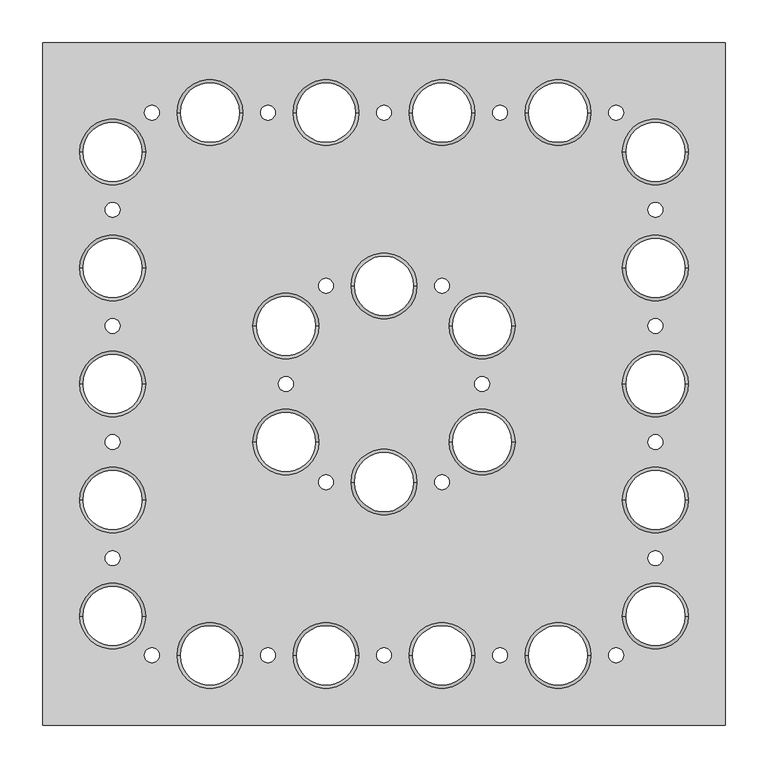
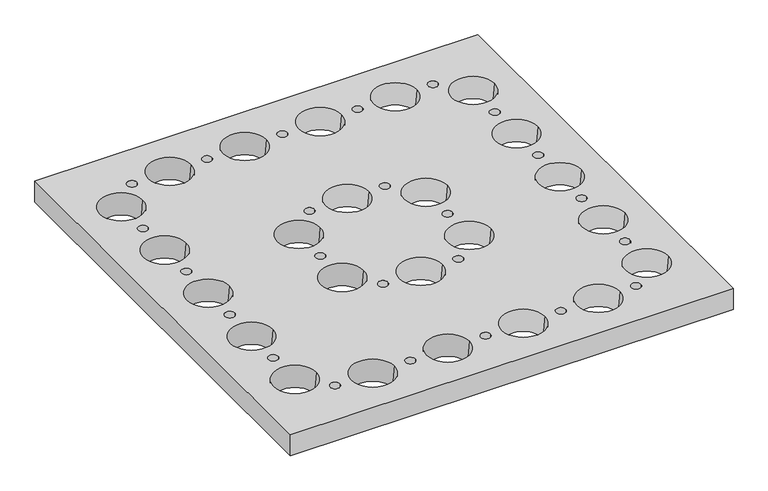
"""IFC4 building model written with IfcOpenShell, lengths in millimetres: proxy geometry."""

from ifc_helpers import new_model, si_unit, frame, origin, place, context, project, spatial, polyline, circle_curve, source, transform, mapped, element, save
from ifc_brep_helpers import plane_surface, revolved_surface, advanced_brep


def specialty_equipment_5c508516(model_context):
    return source(origin(), model_context, "Body", "AdvancedBrep", [
        advanced_brep(
        [(-1557.5, -400.0, 350.0), (-757.5, -400.0, 350.0), (-757.5, 400.0, 350.0), (-1557.5, 400.0, 350.0), (-848.194, 204.0, 350.0), (-830.806, 204.0, 350.0), (-848.194, 68.0, 350.0), (-830.806, 68.0, 350.0), (-848.194, -68.0, 350.0), (-830.806, -68.0, 350.0), (-848.194, -204.0, 350.0), (-830.806, -204.0, 350.0), (-894.194, 318.0, 350.0), (-876.806, 318.0, 350.0), (-894.194, -318.0, 350.0), (-876.806, -318.0, 350.0), (-1030.194, 318.0, 350.0), (-1012.806, 318.0, 350.0), (-1030.194, -318.0, 350.0), (-1012.806, -318.0, 350.0), (-1051.194, 0.0, 350.0), (-1033.806, 0.0, 350.0), (-1098.194, -115.0, 350.0), (-1080.806, -115.0, 350.0), (-1098.194, 115.0, 350.0), (-1080.806, 115.0, 350.0), (-1166.194, 318.0, 350.0), (-1148.806, 318.0, 350.0), (-1166.194, -318.0, 350.0), (-1148.806, -318.0, 350.0), (-1234.194, -115.0, 350.0), (-1216.806, -115.0, 350.0), (-1234.194, 115.0, 350.0), (-1216.806, 115.0, 350.0), (-1281.194, 0.0, 350.0), (-1263.806, 0.0, 350.0), (-1302.194, 318.0, 350.0), (-1284.806, 318.0, 350.0), (-1302.194, -318.0, 350.0), (-1284.806, -318.0, 350.0), (-1438.194, 318.0, 350.0), (-1420.806, 318.0, 350.0), (-1438.194, -318.0, 350.0), (-1420.806, -318.0, 350.0), (-1484.194, -204.0, 350.0), (-1466.806, -204.0, 350.0), (-1484.194, -68.0, 350.0), (-1466.806, -68.0, 350.0), (-1484.194, 68.0, 350.0), (-1466.806, 68.0, 350.0), (-1484.194, 204.0, 350.0), (-1466.806, 204.0, 350.0), (-878.0252565, -272.0, 350.0), (-800.9747435, -272.0, 350.0), (-878.0252565, -136.0, 350.0), (-800.9747435, -136.0, 350.0), (-878.0252565, 0.0, 350.0), (-800.9747435, 0.0, 350.0), (-878.0252565, 136.0, 350.0), (-800.9747435, 136.0, 350.0), (-878.0252565, 272.0, 350.0), (-800.9747435, 272.0, 350.0), (-992.0252565, 318.0, 350.0), (-914.9747435, 318.0, 350.0), (-1128.0252565, 318.0, 350.0), (-1050.9747435, 318.0, 350.0), (-1128.0252565, -318.0, 350.0), (-1050.9747435, -318.0, 350.0), (-1081.0252565, -68.0, 350.0), (-1003.9747435, -68.0, 350.0), (-1081.0252565, 68.0, 350.0), (-1003.9747435, 68.0, 350.0), (-992.0252565, -318.0, 350.0), (-914.9747435, -318.0, 350.0), (-1196.0252565, -115.0, 350.0), (-1118.9747435, -115.0, 350.0), (-1196.0252565, 115.0, 350.0), (-1118.9747435, 115.0, 350.0), (-1514.0252565, -272.0, 350.0), (-1436.9747435, -272.0, 350.0), (-1514.0252565, -136.0, 350.0), (-1436.9747435, -136.0, 350.0), (-1514.0252565, 0.0, 350.0), (-1436.9747435, 0.0, 350.0), (-1514.0252565, 136.0, 350.0), (-1436.9747435, 136.0, 350.0), (-1514.0252565, 272.0, 350.0), (-1436.9747435, 272.0, 350.0), (-1400.0252565, 318.0, 350.0), (-1322.9747435, 318.0, 350.0), (-1264.0252565, 318.0, 350.0), (-1186.9747435, 318.0, 350.0), (-1264.0252565, -318.0, 350.0), (-1186.9747435, -318.0, 350.0), (-1400.0252565, -318.0, 350.0), (-1322.9747435, -318.0, 350.0), (-1311.0252565, -68.0, 350.0), (-1233.9747435, -68.0, 350.0), (-1311.0252565, 68.0, 350.0), (-1233.9747435, 68.0, 350.0), (-1557.5, -400.0, 310.0), (-1557.5, 400.0, 310.0), (-757.5, 400.0, 310.0), (-757.5, -400.0, 310.0), (-848.194, 204.0, 310.0), (-830.806, 204.0, 310.0), (-848.194, 68.0, 310.0), (-830.806, 68.0, 310.0), (-848.194, -68.0, 310.0), (-830.806, -68.0, 310.0), (-848.194, -204.0, 310.0), (-830.806, -204.0, 310.0), (-894.194, 318.0, 310.0), (-876.806, 318.0, 310.0), (-894.194, -318.0, 310.0), (-876.806, -318.0, 310.0), (-1030.194, 318.0, 310.0), (-1012.806, 318.0, 310.0), (-1030.194, -318.0, 310.0), (-1012.806, -318.0, 310.0), (-1051.194, 0.0, 310.0), (-1033.806, 0.0, 310.0), (-1098.194, -115.0, 310.0), (-1080.806, -115.0, 310.0), (-1098.194, 115.0, 310.0), (-1080.806, 115.0, 310.0), (-1166.194, 318.0, 310.0), (-1148.806, 318.0, 310.0), (-1166.194, -318.0, 310.0), (-1148.806, -318.0, 310.0), (-1234.194, -115.0, 310.0), (-1216.806, -115.0, 310.0), (-1234.194, 115.0, 310.0), (-1216.806, 115.0, 310.0), (-1281.194, 0.0, 310.0), (-1263.806, 0.0, 310.0), (-1302.194, 318.0, 310.0), (-1284.806, 318.0, 310.0), (-1302.194, -318.0, 310.0), (-1284.806, -318.0, 310.0), (-1438.194, 318.0, 310.0), (-1420.806, 318.0, 310.0), (-1438.194, -318.0, 310.0), (-1420.806, -318.0, 310.0), (-1484.194, -204.0, 310.0), (-1466.806, -204.0, 310.0), (-1484.194, -68.0, 310.0), (-1466.806, -68.0, 310.0), (-1484.194, 68.0, 310.0), (-1466.806, 68.0, 310.0), (-1484.194, 204.0, 310.0), (-1466.806, 204.0, 310.0), (-804.5231306, -272.0, 310.0), (-874.4768694, -272.0, 310.0), (-804.5231306, -136.0, 310.0), (-874.4768694, -136.0, 310.0), (-804.5231306, 0.0, 310.0), (-874.4768694, 0.0, 310.0), (-804.5231306, 136.0, 310.0), (-874.4768694, 136.0, 310.0), (-804.5231306, 272.0, 310.0), (-874.4768694, 272.0, 310.0), (-918.5231306, 318.0, 310.0), (-988.4768694, 318.0, 310.0), (-1054.5231306, 318.0, 310.0), (-1124.4768694, 318.0, 310.0), (-1054.5231306, -318.0, 310.0), (-1124.4768694, -318.0, 310.0), (-1007.5231306, -68.0, 310.0), (-1077.4768694, -68.0, 310.0), (-1007.5231306, 68.0, 310.0), (-1077.4768694, 68.0, 310.0), (-918.5231306, -318.0, 310.0), (-988.4768694, -318.0, 310.0), (-1122.5231306, -115.0, 310.0), (-1192.4768694, -115.0, 310.0), (-1122.5231306, 115.0, 310.0), (-1192.4768694, 115.0, 310.0), (-1440.5231306, -272.0, 310.0), (-1510.4768694, -272.0, 310.0), (-1440.5231306, -136.0, 310.0), (-1510.4768694, -136.0, 310.0), (-1440.5231306, 0.0, 310.0), (-1510.4768694, 0.0, 310.0), (-1440.5231306, 136.0, 310.0), (-1510.4768694, 136.0, 310.0), (-1440.5231306, 272.0, 310.0), (-1510.4768694, 272.0, 310.0), (-1326.5231306, 318.0, 310.0), (-1396.4768694, 318.0, 310.0), (-1190.5231306, 318.0, 310.0), (-1260.4768694, 318.0, 310.0), (-1190.5231306, -318.0, 310.0), (-1260.4768694, -318.0, 310.0), (-1326.5231306, -318.0, 310.0), (-1396.4768694, -318.0, 310.0), (-1237.5231306, -68.0, 310.0), (-1307.4768694, -68.0, 310.0), (-1237.5231306, 68.0, 310.0), (-1307.4768694, 68.0, 310.0)],
        [
            (0, 1),
            (1, 2),
            (2, 3),
            (3, 0),
            (4, 5, circle_curve(frame((-839.5, 204.0, 350.0), z_axis=(0.0, 0.0, -1.0), x_axis=(1.0, 0.0, 0.0)), 8.694)),
            (5, 4, circle_curve(frame((-839.5, 204.0, 350.0), z_axis=(0.0, 0.0, -1.0), x_axis=(-1.0, 0.0, 0.0)), 8.694)),
            (6, 7, circle_curve(frame((-839.5, 68.0, 350.0), z_axis=(0.0, 0.0, -1.0), x_axis=(1.0, 0.0, 0.0)), 8.694)),
            (7, 6, circle_curve(frame((-839.5, 68.0, 350.0), z_axis=(0.0, 0.0, -1.0), x_axis=(-1.0, 0.0, 0.0)), 8.694)),
            (8, 9, circle_curve(frame((-839.5, -68.0, 350.0), z_axis=(0.0, 0.0, -1.0), x_axis=(1.0, 0.0, 0.0)), 8.694)),
            (9, 8, circle_curve(frame((-839.5, -68.0, 350.0), z_axis=(0.0, 0.0, -1.0), x_axis=(-1.0, 0.0, 0.0)), 8.694)),
            (10, 11, circle_curve(frame((-839.5, -204.0, 350.0), z_axis=(0.0, 0.0, -1.0), x_axis=(1.0, 0.0, 0.0)), 8.694)),
            (11, 10, circle_curve(frame((-839.5, -204.0, 350.0), z_axis=(0.0, 0.0, -1.0), x_axis=(-1.0, 0.0, 0.0)), 8.694)),
            (12, 13, circle_curve(frame((-885.5, 318.0, 350.0), z_axis=(0.0, 0.0, -1.0), x_axis=(1.0, 0.0, 0.0)), 8.694)),
            (13, 12, circle_curve(frame((-885.5, 318.0, 350.0), z_axis=(0.0, 0.0, -1.0), x_axis=(-1.0, 0.0, 0.0)), 8.694)),
            (14, 15, circle_curve(frame((-885.5, -318.0, 350.0), z_axis=(0.0, 0.0, -1.0), x_axis=(1.0, 0.0, 0.0)), 8.694)),
            (15, 14, circle_curve(frame((-885.5, -318.0, 350.0), z_axis=(0.0, 0.0, -1.0), x_axis=(-1.0, 0.0, 0.0)), 8.694)),
            (16, 17, circle_curve(frame((-1021.5, 318.0, 350.0), z_axis=(0.0, 0.0, -1.0), x_axis=(1.0, 0.0, 0.0)), 8.694)),
            (17, 16, circle_curve(frame((-1021.5, 318.0, 350.0), z_axis=(0.0, 0.0, -1.0), x_axis=(-1.0, 0.0, 0.0)), 8.694)),
            (18, 19, circle_curve(frame((-1021.5, -318.0, 350.0), z_axis=(0.0, 0.0, -1.0), x_axis=(1.0, 0.0, 0.0)), 8.694)),
            (19, 18, circle_curve(frame((-1021.5, -318.0, 350.0), z_axis=(0.0, 0.0, -1.0), x_axis=(-1.0, 0.0, 0.0)), 8.694)),
            (20, 21, circle_curve(frame((-1042.5, 0.0, 350.0), z_axis=(0.0, 0.0, -1.0), x_axis=(1.0, 0.0, 0.0)), 8.694)),
            (21, 20, circle_curve(frame((-1042.5, 0.0, 350.0), z_axis=(0.0, 0.0, -1.0), x_axis=(-1.0, 0.0, 0.0)), 8.694)),
            (22, 23, circle_curve(frame((-1089.5, -115.0, 350.0), z_axis=(0.0, 0.0, -1.0), x_axis=(1.0, 0.0, 0.0)), 8.694)),
            (23, 22, circle_curve(frame((-1089.5, -115.0, 350.0), z_axis=(0.0, 0.0, -1.0), x_axis=(-1.0, 0.0, 0.0)), 8.694)),
            (24, 25, circle_curve(frame((-1089.5, 115.0, 350.0), z_axis=(0.0, 0.0, -1.0), x_axis=(1.0, 0.0, 0.0)), 8.694)),
            (25, 24, circle_curve(frame((-1089.5, 115.0, 350.0), z_axis=(0.0, 0.0, -1.0), x_axis=(-1.0, 0.0, 0.0)), 8.694)),
            (26, 27, circle_curve(frame((-1157.5, 318.0, 350.0), z_axis=(0.0, 0.0, -1.0), x_axis=(1.0, 0.0, 0.0)), 8.694)),
            (27, 26, circle_curve(frame((-1157.5, 318.0, 350.0), z_axis=(0.0, 0.0, -1.0), x_axis=(-1.0, 0.0, 0.0)), 8.694)),
            (28, 29, circle_curve(frame((-1157.5, -318.0, 350.0), z_axis=(0.0, 0.0, -1.0), x_axis=(1.0, 0.0, 0.0)), 8.694)),
            (29, 28, circle_curve(frame((-1157.5, -318.0, 350.0), z_axis=(0.0, 0.0, -1.0), x_axis=(-1.0, 0.0, 0.0)), 8.694)),
            (30, 31, circle_curve(frame((-1225.5, -115.0, 350.0), z_axis=(0.0, 0.0, -1.0), x_axis=(1.0, 0.0, 0.0)), 8.694)),
            (31, 30, circle_curve(frame((-1225.5, -115.0, 350.0), z_axis=(0.0, 0.0, -1.0), x_axis=(-1.0, 0.0, 0.0)), 8.694)),
            (32, 33, circle_curve(frame((-1225.5, 115.0, 350.0), z_axis=(0.0, 0.0, -1.0), x_axis=(1.0, 0.0, 0.0)), 8.694)),
            (33, 32, circle_curve(frame((-1225.5, 115.0, 350.0), z_axis=(0.0, 0.0, -1.0), x_axis=(-1.0, 0.0, 0.0)), 8.694)),
            (34, 35, circle_curve(frame((-1272.5, 0.0, 350.0), z_axis=(0.0, 0.0, -1.0), x_axis=(1.0, 0.0, 0.0)), 8.694)),
            (35, 34, circle_curve(frame((-1272.5, 0.0, 350.0), z_axis=(0.0, 0.0, -1.0), x_axis=(-1.0, 0.0, 0.0)), 8.694)),
            (36, 37, circle_curve(frame((-1293.5, 318.0, 350.0), z_axis=(0.0, 0.0, -1.0), x_axis=(1.0, 0.0, 0.0)), 8.694)),
            (37, 36, circle_curve(frame((-1293.5, 318.0, 350.0), z_axis=(0.0, 0.0, -1.0), x_axis=(-1.0, 0.0, 0.0)), 8.694)),
            (38, 39, circle_curve(frame((-1293.5, -318.0, 350.0), z_axis=(0.0, 0.0, -1.0), x_axis=(1.0, 0.0, 0.0)), 8.694)),
            (39, 38, circle_curve(frame((-1293.5, -318.0, 350.0), z_axis=(0.0, 0.0, -1.0), x_axis=(-1.0, 0.0, 0.0)), 8.694)),
            (40, 41, circle_curve(frame((-1429.5, 318.0, 350.0), z_axis=(0.0, 0.0, -1.0), x_axis=(1.0, 0.0, 0.0)), 8.694)),
            (41, 40, circle_curve(frame((-1429.5, 318.0, 350.0), z_axis=(0.0, 0.0, -1.0), x_axis=(-1.0, 0.0, 0.0)), 8.694)),
            (42, 43, circle_curve(frame((-1429.5, -318.0, 350.0), z_axis=(0.0, 0.0, -1.0), x_axis=(1.0, 0.0, 0.0)), 8.694)),
            (43, 42, circle_curve(frame((-1429.5, -318.0, 350.0), z_axis=(0.0, 0.0, -1.0), x_axis=(-1.0, 0.0, 0.0)), 8.694)),
            (44, 45, circle_curve(frame((-1475.5, -204.0, 350.0), z_axis=(0.0, 0.0, -1.0), x_axis=(1.0, 0.0, 0.0)), 8.694)),
            (45, 44, circle_curve(frame((-1475.5, -204.0, 350.0), z_axis=(0.0, 0.0, -1.0), x_axis=(-1.0, 0.0, 0.0)), 8.694)),
            (46, 47, circle_curve(frame((-1475.5, -68.0, 350.0), z_axis=(0.0, 0.0, -1.0), x_axis=(1.0, 0.0, 0.0)), 8.694)),
            (47, 46, circle_curve(frame((-1475.5, -68.0, 350.0), z_axis=(0.0, 0.0, -1.0), x_axis=(-1.0, 0.0, 0.0)), 8.694)),
            (48, 49, circle_curve(frame((-1475.5, 68.0, 350.0), z_axis=(0.0, 0.0, -1.0), x_axis=(1.0, 0.0, 0.0)), 8.694)),
            (49, 48, circle_curve(frame((-1475.5, 68.0, 350.0), z_axis=(0.0, 0.0, -1.0), x_axis=(-1.0, 0.0, 0.0)), 8.694)),
            (50, 51, circle_curve(frame((-1475.5, 204.0, 350.0), z_axis=(0.0, 0.0, -1.0), x_axis=(1.0, 0.0, 0.0)), 8.694)),
            (51, 50, circle_curve(frame((-1475.5, 204.0, 350.0), z_axis=(0.0, 0.0, -1.0), x_axis=(-1.0, 0.0, 0.0)), 8.694)),
            (52, 53, circle_curve(frame((-839.5, -272.0, 350.0), z_axis=(0.0, 0.0, -1.0), x_axis=(-1.0, 0.0, 0.0)), 38.5252565)),
            (53, 52, circle_curve(frame((-839.5, -272.0, 350.0), z_axis=(0.0, 0.0, -1.0), x_axis=(-1.0, 0.0, 0.0)), 38.5252565)),
            (54, 55, circle_curve(frame((-839.5, -136.0, 350.0), z_axis=(0.0, 0.0, -1.0), x_axis=(-1.0, 0.0, 0.0)), 38.5252565)),
            (55, 54, circle_curve(frame((-839.5, -136.0, 350.0), z_axis=(0.0, 0.0, -1.0), x_axis=(-1.0, 0.0, 0.0)), 38.5252565)),
            (56, 57, circle_curve(frame((-839.5, 0.0, 350.0), z_axis=(0.0, 0.0, -1.0), x_axis=(-1.0, 0.0, 0.0)), 38.5252565)),
            (57, 56, circle_curve(frame((-839.5, 0.0, 350.0), z_axis=(0.0, 0.0, -1.0), x_axis=(-1.0, 0.0, 0.0)), 38.5252565)),
            (58, 59, circle_curve(frame((-839.5, 136.0, 350.0), z_axis=(0.0, 0.0, -1.0), x_axis=(-1.0, 0.0, 0.0)), 38.5252565)),
            (59, 58, circle_curve(frame((-839.5, 136.0, 350.0), z_axis=(0.0, 0.0, -1.0), x_axis=(-1.0, 0.0, 0.0)), 38.5252565)),
            (60, 61, circle_curve(frame((-839.5, 272.0, 350.0), z_axis=(0.0, 0.0, -1.0), x_axis=(-1.0, 0.0, 0.0)), 38.5252565)),
            (61, 60, circle_curve(frame((-839.5, 272.0, 350.0), z_axis=(0.0, 0.0, -1.0), x_axis=(-1.0, 0.0, 0.0)), 38.5252565)),
            (62, 63, circle_curve(frame((-953.5, 318.0, 350.0), z_axis=(0.0, 0.0, -1.0), x_axis=(-1.0, 0.0, 0.0)), 38.5252565)),
            (63, 62, circle_curve(frame((-953.5, 318.0, 350.0), z_axis=(0.0, 0.0, -1.0), x_axis=(-1.0, 0.0, 0.0)), 38.5252565)),
            (64, 65, circle_curve(frame((-1089.5, 318.0, 350.0), z_axis=(0.0, 0.0, -1.0), x_axis=(-1.0, 0.0, 0.0)), 38.5252565)),
            (65, 64, circle_curve(frame((-1089.5, 318.0, 350.0), z_axis=(0.0, 0.0, -1.0), x_axis=(-1.0, 0.0, 0.0)), 38.5252565)),
            (66, 67, circle_curve(frame((-1089.5, -318.0, 350.0), z_axis=(0.0, 0.0, -1.0), x_axis=(-1.0, 0.0, 0.0)), 38.5252565)),
            (67, 66, circle_curve(frame((-1089.5, -318.0, 350.0), z_axis=(0.0, 0.0, -1.0), x_axis=(-1.0, 0.0, 0.0)), 38.5252565)),
            (68, 69, circle_curve(frame((-1042.5, -68.0, 350.0), z_axis=(0.0, 0.0, -1.0), x_axis=(-1.0, 0.0, 0.0)), 38.5252565)),
            (69, 68, circle_curve(frame((-1042.5, -68.0, 350.0), z_axis=(0.0, 0.0, -1.0), x_axis=(-1.0, 0.0, 0.0)), 38.5252565)),
            (70, 71, circle_curve(frame((-1042.5, 68.0, 350.0), z_axis=(0.0, 0.0, -1.0), x_axis=(-1.0, 0.0, 0.0)), 38.5252565)),
            (71, 70, circle_curve(frame((-1042.5, 68.0, 350.0), z_axis=(0.0, 0.0, -1.0), x_axis=(-1.0, 0.0, 0.0)), 38.5252565)),
            (72, 73, circle_curve(frame((-953.5, -318.0, 350.0), z_axis=(0.0, 0.0, -1.0), x_axis=(-1.0, 0.0, 0.0)), 38.5252565)),
            (73, 72, circle_curve(frame((-953.5, -318.0, 350.0), z_axis=(0.0, 0.0, -1.0), x_axis=(-1.0, 0.0, 0.0)), 38.5252565)),
            (74, 75, circle_curve(frame((-1157.5, -115.0, 350.0), z_axis=(0.0, 0.0, -1.0), x_axis=(-1.0, 0.0, 0.0)), 38.5252565)),
            (75, 74, circle_curve(frame((-1157.5, -115.0, 350.0), z_axis=(0.0, 0.0, -1.0), x_axis=(-1.0, 0.0, 0.0)), 38.5252565)),
            (76, 77, circle_curve(frame((-1157.5, 115.0, 350.0), z_axis=(0.0, 0.0, -1.0), x_axis=(-1.0, 0.0, 0.0)), 38.5252565)),
            (77, 76, circle_curve(frame((-1157.5, 115.0, 350.0), z_axis=(0.0, 0.0, -1.0), x_axis=(-1.0, 0.0, 0.0)), 38.5252565)),
            (78, 79, circle_curve(frame((-1475.5, -272.0, 350.0), z_axis=(0.0, 0.0, -1.0), x_axis=(1.0, 0.0, 0.0)), 38.5252565)),
            (79, 78, circle_curve(frame((-1475.5, -272.0, 350.0), z_axis=(0.0, 0.0, -1.0), x_axis=(1.0, 0.0, 0.0)), 38.5252565)),
            (80, 81, circle_curve(frame((-1475.5, -136.0, 350.0), z_axis=(0.0, 0.0, -1.0), x_axis=(1.0, 0.0, 0.0)), 38.5252565)),
            (81, 80, circle_curve(frame((-1475.5, -136.0, 350.0), z_axis=(0.0, 0.0, -1.0), x_axis=(1.0, 0.0, 0.0)), 38.5252565)),
            (82, 83, circle_curve(frame((-1475.5, 0.0, 350.0), z_axis=(0.0, 0.0, -1.0), x_axis=(1.0, 0.0, 0.0)), 38.5252565)),
            (83, 82, circle_curve(frame((-1475.5, 0.0, 350.0), z_axis=(0.0, 0.0, -1.0), x_axis=(1.0, 0.0, 0.0)), 38.5252565)),
            (84, 85, circle_curve(frame((-1475.5, 136.0, 350.0), z_axis=(0.0, 0.0, -1.0), x_axis=(1.0, 0.0, 0.0)), 38.5252565)),
            (85, 84, circle_curve(frame((-1475.5, 136.0, 350.0), z_axis=(0.0, 0.0, -1.0), x_axis=(1.0, 0.0, 0.0)), 38.5252565)),
            (86, 87, circle_curve(frame((-1475.5, 272.0, 350.0), z_axis=(0.0, 0.0, -1.0), x_axis=(1.0, 0.0, 0.0)), 38.5252565)),
            (87, 86, circle_curve(frame((-1475.5, 272.0, 350.0), z_axis=(0.0, 0.0, -1.0), x_axis=(1.0, 0.0, 0.0)), 38.5252565)),
            (88, 89, circle_curve(frame((-1361.5, 318.0, 350.0), z_axis=(0.0, 0.0, -1.0), x_axis=(1.0, 0.0, 0.0)), 38.5252565)),
            (89, 88, circle_curve(frame((-1361.5, 318.0, 350.0), z_axis=(0.0, 0.0, -1.0), x_axis=(1.0, 0.0, 0.0)), 38.5252565)),
            (90, 91, circle_curve(frame((-1225.5, 318.0, 350.0), z_axis=(0.0, 0.0, -1.0), x_axis=(1.0, 0.0, 0.0)), 38.5252565)),
            (91, 90, circle_curve(frame((-1225.5, 318.0, 350.0), z_axis=(0.0, 0.0, -1.0), x_axis=(1.0, 0.0, 0.0)), 38.5252565)),
            (92, 93, circle_curve(frame((-1225.5, -318.0, 350.0), z_axis=(0.0, 0.0, -1.0), x_axis=(1.0, 0.0, 0.0)), 38.5252565)),
            (93, 92, circle_curve(frame((-1225.5, -318.0, 350.0), z_axis=(0.0, 0.0, -1.0), x_axis=(1.0, 0.0, 0.0)), 38.5252565)),
            (94, 95, circle_curve(frame((-1361.5, -318.0, 350.0), z_axis=(0.0, 0.0, -1.0), x_axis=(1.0, 0.0, 0.0)), 38.5252565)),
            (95, 94, circle_curve(frame((-1361.5, -318.0, 350.0), z_axis=(0.0, 0.0, -1.0), x_axis=(1.0, 0.0, 0.0)), 38.5252565)),
            (96, 97, circle_curve(frame((-1272.5, -68.0, 350.0), z_axis=(0.0, 0.0, -1.0), x_axis=(1.0, 0.0, 0.0)), 38.5252565)),
            (97, 96, circle_curve(frame((-1272.5, -68.0, 350.0), z_axis=(0.0, 0.0, -1.0), x_axis=(1.0, 0.0, 0.0)), 38.5252565)),
            (98, 99, circle_curve(frame((-1272.5, 68.0, 350.0), z_axis=(0.0, 0.0, -1.0), x_axis=(1.0, 0.0, 0.0)), 38.5252565)),
            (99, 98, circle_curve(frame((-1272.5, 68.0, 350.0), z_axis=(0.0, 0.0, -1.0), x_axis=(1.0, 0.0, 0.0)), 38.5252565)),
            (100, 101),
            (101, 102),
            (102, 103),
            (103, 100),
            (104, 105, circle_curve(frame((-839.5, 204.0, 310.0), z_axis=(0.0, 0.0, 1.0), x_axis=(-1.0, 0.0, 0.0)), 8.694)),
            (105, 104, circle_curve(frame((-839.5, 204.0, 310.0), z_axis=(0.0, 0.0, 1.0), x_axis=(1.0, 0.0, 0.0)), 8.694)),
            (106, 107, circle_curve(frame((-839.5, 68.0, 310.0), z_axis=(0.0, 0.0, 1.0), x_axis=(-1.0, 0.0, 0.0)), 8.694)),
            (107, 106, circle_curve(frame((-839.5, 68.0, 310.0), z_axis=(0.0, 0.0, 1.0), x_axis=(1.0, 0.0, 0.0)), 8.694)),
            (108, 109, circle_curve(frame((-839.5, -68.0, 310.0), z_axis=(0.0, 0.0, 1.0), x_axis=(-1.0, 0.0, 0.0)), 8.694)),
            (109, 108, circle_curve(frame((-839.5, -68.0, 310.0), z_axis=(0.0, 0.0, 1.0), x_axis=(1.0, 0.0, 0.0)), 8.694)),
            (110, 111, circle_curve(frame((-839.5, -204.0, 310.0), z_axis=(0.0, 0.0, 1.0), x_axis=(-1.0, 0.0, 0.0)), 8.694)),
            (111, 110, circle_curve(frame((-839.5, -204.0, 310.0), z_axis=(0.0, 0.0, 1.0), x_axis=(1.0, 0.0, 0.0)), 8.694)),
            (112, 113, circle_curve(frame((-885.5, 318.0, 310.0), z_axis=(0.0, 0.0, 1.0), x_axis=(-1.0, 0.0, 0.0)), 8.694)),
            (113, 112, circle_curve(frame((-885.5, 318.0, 310.0), z_axis=(0.0, 0.0, 1.0), x_axis=(1.0, 0.0, 0.0)), 8.694)),
            (114, 115, circle_curve(frame((-885.5, -318.0, 310.0), z_axis=(0.0, 0.0, 1.0), x_axis=(-1.0, 0.0, 0.0)), 8.694)),
            (115, 114, circle_curve(frame((-885.5, -318.0, 310.0), z_axis=(0.0, 0.0, 1.0), x_axis=(1.0, 0.0, 0.0)), 8.694)),
            (116, 117, circle_curve(frame((-1021.5, 318.0, 310.0), z_axis=(0.0, 0.0, 1.0), x_axis=(-1.0, 0.0, 0.0)), 8.694)),
            (117, 116, circle_curve(frame((-1021.5, 318.0, 310.0), z_axis=(0.0, 0.0, 1.0), x_axis=(1.0, 0.0, 0.0)), 8.694)),
            (118, 119, circle_curve(frame((-1021.5, -318.0, 310.0), z_axis=(0.0, 0.0, 1.0), x_axis=(-1.0, 0.0, 0.0)), 8.694)),
            (119, 118, circle_curve(frame((-1021.5, -318.0, 310.0), z_axis=(0.0, 0.0, 1.0), x_axis=(1.0, 0.0, 0.0)), 8.694)),
            (120, 121, circle_curve(frame((-1042.5, 0.0, 310.0), z_axis=(0.0, 0.0, 1.0), x_axis=(-1.0, 0.0, 0.0)), 8.694)),
            (121, 120, circle_curve(frame((-1042.5, 0.0, 310.0), z_axis=(0.0, 0.0, 1.0), x_axis=(1.0, 0.0, 0.0)), 8.694)),
            (122, 123, circle_curve(frame((-1089.5, -115.0, 310.0), z_axis=(0.0, 0.0, 1.0), x_axis=(-1.0, 0.0, 0.0)), 8.694)),
            (123, 122, circle_curve(frame((-1089.5, -115.0, 310.0), z_axis=(0.0, 0.0, 1.0), x_axis=(1.0, 0.0, 0.0)), 8.694)),
            (124, 125, circle_curve(frame((-1089.5, 115.0, 310.0), z_axis=(0.0, 0.0, 1.0), x_axis=(-1.0, 0.0, 0.0)), 8.694)),
            (125, 124, circle_curve(frame((-1089.5, 115.0, 310.0), z_axis=(0.0, 0.0, 1.0), x_axis=(1.0, 0.0, 0.0)), 8.694)),
            (126, 127, circle_curve(frame((-1157.5, 318.0, 310.0), z_axis=(0.0, 0.0, 1.0), x_axis=(-1.0, 0.0, 0.0)), 8.694)),
            (127, 126, circle_curve(frame((-1157.5, 318.0, 310.0), z_axis=(0.0, 0.0, 1.0), x_axis=(1.0, 0.0, 0.0)), 8.694)),
            (128, 129, circle_curve(frame((-1157.5, -318.0, 310.0), z_axis=(0.0, 0.0, 1.0), x_axis=(-1.0, 0.0, 0.0)), 8.694)),
            (129, 128, circle_curve(frame((-1157.5, -318.0, 310.0), z_axis=(0.0, 0.0, 1.0), x_axis=(1.0, 0.0, 0.0)), 8.694)),
            (130, 131, circle_curve(frame((-1225.5, -115.0, 310.0), z_axis=(0.0, 0.0, 1.0), x_axis=(-1.0, 0.0, 0.0)), 8.694)),
            (131, 130, circle_curve(frame((-1225.5, -115.0, 310.0), z_axis=(0.0, 0.0, 1.0), x_axis=(1.0, 0.0, 0.0)), 8.694)),
            (132, 133, circle_curve(frame((-1225.5, 115.0, 310.0), z_axis=(0.0, 0.0, 1.0), x_axis=(-1.0, 0.0, 0.0)), 8.694)),
            (133, 132, circle_curve(frame((-1225.5, 115.0, 310.0), z_axis=(0.0, 0.0, 1.0), x_axis=(1.0, 0.0, 0.0)), 8.694)),
            (134, 135, circle_curve(frame((-1272.5, 0.0, 310.0), z_axis=(0.0, 0.0, 1.0), x_axis=(-1.0, 0.0, 0.0)), 8.694)),
            (135, 134, circle_curve(frame((-1272.5, 0.0, 310.0), z_axis=(0.0, 0.0, 1.0), x_axis=(1.0, 0.0, 0.0)), 8.694)),
            (136, 137, circle_curve(frame((-1293.5, 318.0, 310.0), z_axis=(0.0, 0.0, 1.0), x_axis=(-1.0, 0.0, 0.0)), 8.694)),
            (137, 136, circle_curve(frame((-1293.5, 318.0, 310.0), z_axis=(0.0, 0.0, 1.0), x_axis=(1.0, 0.0, 0.0)), 8.694)),
            (138, 139, circle_curve(frame((-1293.5, -318.0, 310.0), z_axis=(0.0, 0.0, 1.0), x_axis=(-1.0, 0.0, 0.0)), 8.694)),
            (139, 138, circle_curve(frame((-1293.5, -318.0, 310.0), z_axis=(0.0, 0.0, 1.0), x_axis=(1.0, 0.0, 0.0)), 8.694)),
            (140, 141, circle_curve(frame((-1429.5, 318.0, 310.0), z_axis=(0.0, 0.0, 1.0), x_axis=(-1.0, 0.0, 0.0)), 8.694)),
            (141, 140, circle_curve(frame((-1429.5, 318.0, 310.0), z_axis=(0.0, 0.0, 1.0), x_axis=(1.0, 0.0, 0.0)), 8.694)),
            (142, 143, circle_curve(frame((-1429.5, -318.0, 310.0), z_axis=(0.0, 0.0, 1.0), x_axis=(-1.0, 0.0, 0.0)), 8.694)),
            (143, 142, circle_curve(frame((-1429.5, -318.0, 310.0), z_axis=(0.0, 0.0, 1.0), x_axis=(1.0, 0.0, 0.0)), 8.694)),
            (144, 145, circle_curve(frame((-1475.5, -204.0, 310.0), z_axis=(0.0, 0.0, 1.0), x_axis=(-1.0, 0.0, 0.0)), 8.694)),
            (145, 144, circle_curve(frame((-1475.5, -204.0, 310.0), z_axis=(0.0, 0.0, 1.0), x_axis=(1.0, 0.0, 0.0)), 8.694)),
            (146, 147, circle_curve(frame((-1475.5, -68.0, 310.0), z_axis=(0.0, 0.0, 1.0), x_axis=(-1.0, 0.0, 0.0)), 8.694)),
            (147, 146, circle_curve(frame((-1475.5, -68.0, 310.0), z_axis=(0.0, 0.0, 1.0), x_axis=(1.0, 0.0, 0.0)), 8.694)),
            (148, 149, circle_curve(frame((-1475.5, 68.0, 310.0), z_axis=(0.0, 0.0, 1.0), x_axis=(-1.0, 0.0, 0.0)), 8.694)),
            (149, 148, circle_curve(frame((-1475.5, 68.0, 310.0), z_axis=(0.0, 0.0, 1.0), x_axis=(1.0, 0.0, 0.0)), 8.694)),
            (150, 151, circle_curve(frame((-1475.5, 204.0, 310.0), z_axis=(0.0, 0.0, 1.0), x_axis=(-1.0, 0.0, 0.0)), 8.694)),
            (151, 150, circle_curve(frame((-1475.5, 204.0, 310.0), z_axis=(0.0, 0.0, 1.0), x_axis=(1.0, 0.0, 0.0)), 8.694)),
            (152, 153, circle_curve(frame((-839.5, -272.0, 310.0), z_axis=(0.0, 0.0, 1.0), x_axis=(-1.0, 0.0, 0.0)), 34.9768694)),
            (153, 152, circle_curve(frame((-839.5, -272.0, 310.0), z_axis=(0.0, 0.0, 1.0), x_axis=(-1.0, 0.0, 0.0)), 34.9768694)),
            (154, 155, circle_curve(frame((-839.5, -136.0, 310.0), z_axis=(0.0, 0.0, 1.0), x_axis=(-1.0, 0.0, 0.0)), 34.9768694)),
            (155, 154, circle_curve(frame((-839.5, -136.0, 310.0), z_axis=(0.0, 0.0, 1.0), x_axis=(-1.0, 0.0, 0.0)), 34.9768694)),
            (156, 157, circle_curve(frame((-839.5, 0.0, 310.0), z_axis=(0.0, 0.0, 1.0), x_axis=(-1.0, 0.0, 0.0)), 34.9768694)),
            (157, 156, circle_curve(frame((-839.5, 0.0, 310.0), z_axis=(0.0, 0.0, 1.0), x_axis=(-1.0, 0.0, 0.0)), 34.9768694)),
            (158, 159, circle_curve(frame((-839.5, 136.0, 310.0), z_axis=(0.0, 0.0, 1.0), x_axis=(-1.0, 0.0, 0.0)), 34.9768694)),
            (159, 158, circle_curve(frame((-839.5, 136.0, 310.0), z_axis=(0.0, 0.0, 1.0), x_axis=(-1.0, 0.0, 0.0)), 34.9768694)),
            (160, 161, circle_curve(frame((-839.5, 272.0, 310.0), z_axis=(0.0, 0.0, 1.0), x_axis=(-1.0, 0.0, 0.0)), 34.9768694)),
            (161, 160, circle_curve(frame((-839.5, 272.0, 310.0), z_axis=(0.0, 0.0, 1.0), x_axis=(-1.0, 0.0, 0.0)), 34.9768694)),
            (162, 163, circle_curve(frame((-953.5, 318.0, 310.0), z_axis=(0.0, 0.0, 1.0), x_axis=(-1.0, 0.0, 0.0)), 34.9768694)),
            (163, 162, circle_curve(frame((-953.5, 318.0, 310.0), z_axis=(0.0, 0.0, 1.0), x_axis=(-1.0, 0.0, 0.0)), 34.9768694)),
            (164, 165, circle_curve(frame((-1089.5, 318.0, 310.0), z_axis=(0.0, 0.0, 1.0), x_axis=(-1.0, 0.0, 0.0)), 34.9768694)),
            (165, 164, circle_curve(frame((-1089.5, 318.0, 310.0), z_axis=(0.0, 0.0, 1.0), x_axis=(-1.0, 0.0, 0.0)), 34.9768694)),
            (166, 167, circle_curve(frame((-1089.5, -318.0, 310.0), z_axis=(0.0, 0.0, 1.0), x_axis=(-1.0, 0.0, 0.0)), 34.9768694)),
            (167, 166, circle_curve(frame((-1089.5, -318.0, 310.0), z_axis=(0.0, 0.0, 1.0), x_axis=(-1.0, 0.0, 0.0)), 34.9768694)),
            (168, 169, circle_curve(frame((-1042.5, -68.0, 310.0), z_axis=(0.0, 0.0, 1.0), x_axis=(-1.0, 0.0, 0.0)), 34.9768694)),
            (169, 168, circle_curve(frame((-1042.5, -68.0, 310.0), z_axis=(0.0, 0.0, 1.0), x_axis=(-1.0, 0.0, 0.0)), 34.9768694)),
            (170, 171, circle_curve(frame((-1042.5, 68.0, 310.0), z_axis=(0.0, 0.0, 1.0), x_axis=(-1.0, 0.0, 0.0)), 34.9768694)),
            (171, 170, circle_curve(frame((-1042.5, 68.0, 310.0), z_axis=(0.0, 0.0, 1.0), x_axis=(-1.0, 0.0, 0.0)), 34.9768694)),
            (172, 173, circle_curve(frame((-953.5, -318.0, 310.0), z_axis=(0.0, 0.0, 1.0), x_axis=(-1.0, 0.0, 0.0)), 34.9768694)),
            (173, 172, circle_curve(frame((-953.5, -318.0, 310.0), z_axis=(0.0, 0.0, 1.0), x_axis=(-1.0, 0.0, 0.0)), 34.9768694)),
            (174, 175, circle_curve(frame((-1157.5, -115.0, 310.0), z_axis=(0.0, 0.0, 1.0), x_axis=(-1.0, 0.0, 0.0)), 34.9768694)),
            (175, 174, circle_curve(frame((-1157.5, -115.0, 310.0), z_axis=(0.0, 0.0, 1.0), x_axis=(-1.0, 0.0, 0.0)), 34.9768694)),
            (176, 177, circle_curve(frame((-1157.5, 115.0, 310.0), z_axis=(0.0, 0.0, 1.0), x_axis=(-1.0, 0.0, 0.0)), 34.9768694)),
            (177, 176, circle_curve(frame((-1157.5, 115.0, 310.0), z_axis=(0.0, 0.0, 1.0), x_axis=(-1.0, 0.0, 0.0)), 34.9768694)),
            (178, 179, circle_curve(frame((-1475.5, -272.0, 310.0), z_axis=(0.0, 0.0, 1.0), x_axis=(1.0, 0.0, 0.0)), 34.9768694)),
            (179, 178, circle_curve(frame((-1475.5, -272.0, 310.0), z_axis=(0.0, 0.0, 1.0), x_axis=(1.0, 0.0, 0.0)), 34.9768694)),
            (180, 181, circle_curve(frame((-1475.5, -136.0, 310.0), z_axis=(0.0, 0.0, 1.0), x_axis=(1.0, 0.0, 0.0)), 34.9768694)),
            (181, 180, circle_curve(frame((-1475.5, -136.0, 310.0), z_axis=(0.0, 0.0, 1.0), x_axis=(1.0, 0.0, 0.0)), 34.9768694)),
            (182, 183, circle_curve(frame((-1475.5, 0.0, 310.0), z_axis=(0.0, 0.0, 1.0), x_axis=(1.0, 0.0, 0.0)), 34.9768694)),
            (183, 182, circle_curve(frame((-1475.5, 0.0, 310.0), z_axis=(0.0, 0.0, 1.0), x_axis=(1.0, 0.0, 0.0)), 34.9768694)),
            (184, 185, circle_curve(frame((-1475.5, 136.0, 310.0), z_axis=(0.0, 0.0, 1.0), x_axis=(1.0, 0.0, 0.0)), 34.9768694)),
            (185, 184, circle_curve(frame((-1475.5, 136.0, 310.0), z_axis=(0.0, 0.0, 1.0), x_axis=(1.0, 0.0, 0.0)), 34.9768694)),
            (186, 187, circle_curve(frame((-1475.5, 272.0, 310.0), z_axis=(0.0, 0.0, 1.0), x_axis=(1.0, 0.0, 0.0)), 34.9768694)),
            (187, 186, circle_curve(frame((-1475.5, 272.0, 310.0), z_axis=(0.0, 0.0, 1.0), x_axis=(1.0, 0.0, 0.0)), 34.9768694)),
            (188, 189, circle_curve(frame((-1361.5, 318.0, 310.0), z_axis=(0.0, 0.0, 1.0), x_axis=(1.0, 0.0, 0.0)), 34.9768694)),
            (189, 188, circle_curve(frame((-1361.5, 318.0, 310.0), z_axis=(0.0, 0.0, 1.0), x_axis=(1.0, 0.0, 0.0)), 34.9768694)),
            (190, 191, circle_curve(frame((-1225.5, 318.0, 310.0), z_axis=(0.0, 0.0, 1.0), x_axis=(1.0, 0.0, 0.0)), 34.9768694)),
            (191, 190, circle_curve(frame((-1225.5, 318.0, 310.0), z_axis=(0.0, 0.0, 1.0), x_axis=(1.0, 0.0, 0.0)), 34.9768694)),
            (192, 193, circle_curve(frame((-1225.5, -318.0, 310.0), z_axis=(0.0, 0.0, 1.0), x_axis=(1.0, 0.0, 0.0)), 34.9768694)),
            (193, 192, circle_curve(frame((-1225.5, -318.0, 310.0), z_axis=(0.0, 0.0, 1.0), x_axis=(1.0, 0.0, 0.0)), 34.9768694)),
            (194, 195, circle_curve(frame((-1361.5, -318.0, 310.0), z_axis=(0.0, 0.0, 1.0), x_axis=(1.0, 0.0, 0.0)), 34.9768694)),
            (195, 194, circle_curve(frame((-1361.5, -318.0, 310.0), z_axis=(0.0, 0.0, 1.0), x_axis=(1.0, 0.0, 0.0)), 34.9768694)),
            (196, 197, circle_curve(frame((-1272.5, -68.0, 310.0), z_axis=(0.0, 0.0, 1.0), x_axis=(1.0, 0.0, 0.0)), 34.9768694)),
            (197, 196, circle_curve(frame((-1272.5, -68.0, 310.0), z_axis=(0.0, 0.0, 1.0), x_axis=(1.0, 0.0, 0.0)), 34.9768694)),
            (198, 199, circle_curve(frame((-1272.5, 68.0, 310.0), z_axis=(0.0, 0.0, 1.0), x_axis=(1.0, 0.0, 0.0)), 34.9768694)),
            (199, 198, circle_curve(frame((-1272.5, 68.0, 310.0), z_axis=(0.0, 0.0, 1.0), x_axis=(1.0, 0.0, 0.0)), 34.9768694)),
            (0, 100),
            (103, 1),
            (102, 2),
            (101, 3),
            (4, 104),
            (105, 5),
            (6, 106),
            (107, 7),
            (8, 108),
            (109, 9),
            (10, 110),
            (111, 11),
            (12, 112),
            (113, 13),
            (14, 114),
            (115, 15),
            (16, 116),
            (117, 17),
            (18, 118),
            (119, 19),
            (20, 120),
            (121, 21),
            (22, 122),
            (123, 23),
            (24, 124),
            (125, 25),
            (26, 126),
            (127, 27),
            (28, 128),
            (129, 29),
            (30, 130),
            (131, 31),
            (32, 132),
            (133, 33),
            (34, 134),
            (135, 35),
            (36, 136),
            (137, 37),
            (38, 138),
            (139, 39),
            (40, 140),
            (141, 41),
            (42, 142),
            (143, 43),
            (44, 144),
            (145, 45),
            (46, 146),
            (147, 47),
            (48, 148),
            (149, 49),
            (50, 150),
            (151, 51),
            (152, 53),
            (52, 153),
            (154, 55),
            (54, 155),
            (156, 57),
            (56, 157),
            (158, 59),
            (58, 159),
            (160, 61),
            (60, 161),
            (162, 63),
            (62, 163),
            (164, 65),
            (64, 165),
            (166, 67),
            (66, 167),
            (168, 69),
            (68, 169),
            (170, 71),
            (70, 171),
            (172, 73),
            (72, 173),
            (174, 75),
            (74, 175),
            (176, 77),
            (76, 177),
            (78, 179),
            (178, 79),
            (80, 181),
            (180, 81),
            (82, 183),
            (182, 83),
            (84, 185),
            (184, 85),
            (86, 187),
            (186, 87),
            (88, 189),
            (188, 89),
            (90, 191),
            (190, 91),
            (92, 193),
            (192, 93),
            (94, 195),
            (194, 95),
            (96, 197),
            (196, 97),
            (98, 199),
            (198, 99),
        ],
        [
            plane_surface(frame((-1557.5, -400.0, 350.0), z_axis=(0.0, 0.0, 1.0), x_axis=(1.0, 0.0, 0.0))),
            plane_surface(frame((-1557.5, -400.0, 310.0), z_axis=(0.0, 0.0, -1.0), x_axis=(-1.0, 0.0, 0.0))),
            plane_surface(frame((-1557.5, -400.0, 350.0), z_axis=(0.0, -1.0, 0.0), x_axis=(0.0, 0.0, -1.0))),
            plane_surface(frame((-757.5, -400.0, 350.0), z_axis=(1.0, 0.0, 0.0), x_axis=(0.0, 0.0, -1.0))),
            plane_surface(frame((-757.5, 400.0, 350.0), z_axis=(0.0, 1.0, 0.0), x_axis=(0.0, 0.0, -1.0))),
            plane_surface(frame((-1557.5, 400.0, 350.0), z_axis=(-1.0, 0.0, 0.0), x_axis=(0.0, 0.0, -1.0))),
            revolved_surface(polyline([(-830.806, 204.0, 310.0), (-830.806, 204.0, 350.0)]), (-839.5, 204.0, 310.0), (0.0, 0.0, -1.0)),
            revolved_surface(polyline([(-848.194, 204.0, 310.0), (-848.194, 204.0, 350.0)]), (-839.5, 204.0, 310.0), (0.0, 0.0, -1.0)),
            revolved_surface(polyline([(-830.806, 68.0, 310.0), (-830.806, 68.0, 350.0)]), (-839.5, 68.0, 310.0), (0.0, 0.0, -1.0)),
            revolved_surface(polyline([(-848.194, 68.0, 310.0), (-848.194, 68.0, 350.0)]), (-839.5, 68.0, 310.0), (0.0, 0.0, -1.0)),
            revolved_surface(polyline([(-830.806, -68.0, 310.0), (-830.806, -68.0, 350.0)]), (-839.5, -68.0, 310.0), (0.0, 0.0, -1.0)),
            revolved_surface(polyline([(-848.194, -68.0, 310.0), (-848.194, -68.0, 350.0)]), (-839.5, -68.0, 310.0), (0.0, 0.0, -1.0)),
            revolved_surface(polyline([(-830.806, -204.0, 310.0), (-830.806, -204.0, 350.0)]), (-839.5, -204.0, 310.0), (0.0, 0.0, -1.0)),
            revolved_surface(polyline([(-848.194, -204.0, 310.0), (-848.194, -204.0, 350.0)]), (-839.5, -204.0, 310.0), (0.0, 0.0, -1.0)),
            revolved_surface(polyline([(-876.806, 318.0, 310.0), (-876.806, 318.0, 350.0)]), (-885.5, 318.0, 310.0), (0.0, 0.0, -1.0)),
            revolved_surface(polyline([(-894.194, 318.0, 310.0), (-894.194, 318.0, 350.0)]), (-885.5, 318.0, 310.0), (0.0, 0.0, -1.0)),
            revolved_surface(polyline([(-876.806, -318.0, 310.0), (-876.806, -318.0, 350.0)]), (-885.5, -318.0, 310.0), (0.0, 0.0, -1.0)),
            revolved_surface(polyline([(-894.194, -318.0, 310.0), (-894.194, -318.0, 350.0)]), (-885.5, -318.0, 310.0), (0.0, 0.0, -1.0)),
            revolved_surface(polyline([(-1012.806, 318.0, 310.0), (-1012.806, 318.0, 350.0)]), (-1021.5, 318.0, 310.0), (0.0, 0.0, -1.0)),
            revolved_surface(polyline([(-1030.194, 318.0, 310.0), (-1030.194, 318.0, 350.0)]), (-1021.5, 318.0, 310.0), (0.0, 0.0, -1.0)),
            revolved_surface(polyline([(-1012.806, -318.0, 310.0), (-1012.806, -318.0, 350.0)]), (-1021.5, -318.0, 310.0), (0.0, 0.0, -1.0)),
            revolved_surface(polyline([(-1030.194, -318.0, 310.0), (-1030.194, -318.0, 350.0)]), (-1021.5, -318.0, 310.0), (0.0, 0.0, -1.0)),
            revolved_surface(polyline([(-1033.806, 0.0, 310.0), (-1033.806, 0.0, 350.0)]), (-1042.5, 0.0, 310.0), (0.0, 0.0, -1.0)),
            revolved_surface(polyline([(-1051.194, 0.0, 310.0), (-1051.194, 0.0, 350.0)]), (-1042.5, 0.0, 310.0), (0.0, 0.0, -1.0)),
            revolved_surface(polyline([(-1080.806, -115.0, 310.0), (-1080.806, -115.0, 350.0)]), (-1089.5, -115.0, 310.0), (0.0, 0.0, -1.0)),
            revolved_surface(polyline([(-1098.194, -115.0, 310.0), (-1098.194, -115.0, 350.0)]), (-1089.5, -115.0, 310.0), (0.0, 0.0, -1.0)),
            revolved_surface(polyline([(-1080.806, 115.0, 310.0), (-1080.806, 115.0, 350.0)]), (-1089.5, 115.0, 310.0), (0.0, 0.0, -1.0)),
            revolved_surface(polyline([(-1098.194, 115.0, 310.0), (-1098.194, 115.0, 350.0)]), (-1089.5, 115.0, 310.0), (0.0, 0.0, -1.0)),
            revolved_surface(polyline([(-1148.806, 318.0, 310.0), (-1148.806, 318.0, 350.0)]), (-1157.5, 318.0, 310.0), (0.0, 0.0, -1.0)),
            revolved_surface(polyline([(-1166.194, 318.0, 310.0), (-1166.194, 318.0, 350.0)]), (-1157.5, 318.0, 310.0), (0.0, 0.0, -1.0)),
            revolved_surface(polyline([(-1148.806, -318.0, 310.0), (-1148.806, -318.0, 350.0)]), (-1157.5, -318.0, 310.0), (0.0, 0.0, -1.0)),
            revolved_surface(polyline([(-1166.194, -318.0, 310.0), (-1166.194, -318.0, 350.0)]), (-1157.5, -318.0, 310.0), (0.0, 0.0, -1.0)),
            revolved_surface(polyline([(-1216.806, -115.0, 310.0), (-1216.806, -115.0, 350.0)]), (-1225.5, -115.0, 310.0), (0.0, 0.0, -1.0)),
            revolved_surface(polyline([(-1234.194, -115.0, 310.0), (-1234.194, -115.0, 350.0)]), (-1225.5, -115.0, 310.0), (0.0, 0.0, -1.0)),
            revolved_surface(polyline([(-1216.806, 115.0, 310.0), (-1216.806, 115.0, 350.0)]), (-1225.5, 115.0, 310.0), (0.0, 0.0, -1.0)),
            revolved_surface(polyline([(-1234.194, 115.0, 310.0), (-1234.194, 115.0, 350.0)]), (-1225.5, 115.0, 310.0), (0.0, 0.0, -1.0)),
            revolved_surface(polyline([(-1263.806, 0.0, 310.0), (-1263.806, 0.0, 350.0)]), (-1272.5, 0.0, 310.0), (0.0, 0.0, -1.0)),
            revolved_surface(polyline([(-1281.194, 0.0, 310.0), (-1281.194, 0.0, 350.0)]), (-1272.5, 0.0, 310.0), (0.0, 0.0, -1.0)),
            revolved_surface(polyline([(-1284.806, 318.0, 310.0), (-1284.806, 318.0, 350.0)]), (-1293.5, 318.0, 310.0), (0.0, 0.0, -1.0)),
            revolved_surface(polyline([(-1302.194, 318.0, 310.0), (-1302.194, 318.0, 350.0)]), (-1293.5, 318.0, 310.0), (0.0, 0.0, -1.0)),
            revolved_surface(polyline([(-1284.806, -318.0, 310.0), (-1284.806, -318.0, 350.0)]), (-1293.5, -318.0, 310.0), (0.0, 0.0, -1.0)),
            revolved_surface(polyline([(-1302.194, -318.0, 310.0), (-1302.194, -318.0, 350.0)]), (-1293.5, -318.0, 310.0), (0.0, 0.0, -1.0)),
            revolved_surface(polyline([(-1420.806, 318.0, 310.0), (-1420.806, 318.0, 350.0)]), (-1429.5, 318.0, 310.0), (0.0, 0.0, -1.0)),
            revolved_surface(polyline([(-1438.194, 318.0, 310.0), (-1438.194, 318.0, 350.0)]), (-1429.5, 318.0, 310.0), (0.0, 0.0, -1.0)),
            revolved_surface(polyline([(-1420.806, -318.0, 310.0), (-1420.806, -318.0, 350.0)]), (-1429.5, -318.0, 310.0), (0.0, 0.0, -1.0)),
            revolved_surface(polyline([(-1438.194, -318.0, 310.0), (-1438.194, -318.0, 350.0)]), (-1429.5, -318.0, 310.0), (0.0, 0.0, -1.0)),
            revolved_surface(polyline([(-1466.806, -204.0, 310.0), (-1466.806, -204.0, 350.0)]), (-1475.5, -204.0, 310.0), (0.0, 0.0, -1.0)),
            revolved_surface(polyline([(-1484.194, -204.0, 310.0), (-1484.194, -204.0, 350.0)]), (-1475.5, -204.0, 310.0), (0.0, 0.0, -1.0)),
            revolved_surface(polyline([(-1466.806, -68.0, 310.0), (-1466.806, -68.0, 350.0)]), (-1475.5, -68.0, 310.0), (0.0, 0.0, -1.0)),
            revolved_surface(polyline([(-1484.194, -68.0, 310.0), (-1484.194, -68.0, 350.0)]), (-1475.5, -68.0, 310.0), (0.0, 0.0, -1.0)),
            revolved_surface(polyline([(-1466.806, 68.0, 310.0), (-1466.806, 68.0, 350.0)]), (-1475.5, 68.0, 310.0), (0.0, 0.0, -1.0)),
            revolved_surface(polyline([(-1484.194, 68.0, 310.0), (-1484.194, 68.0, 350.0)]), (-1475.5, 68.0, 310.0), (0.0, 0.0, -1.0)),
            revolved_surface(polyline([(-1466.806, 204.0, 310.0), (-1466.806, 204.0, 350.0)]), (-1475.5, 204.0, 310.0), (0.0, 0.0, -1.0)),
            revolved_surface(polyline([(-1484.194, 204.0, 310.0), (-1484.194, 204.0, 350.0)]), (-1475.5, 204.0, 310.0), (0.0, 0.0, -1.0)),
            revolved_surface(polyline([(-846.0897726, -272.0, -10.0), (-879.3559016, -272.0, 365.0)]), (-839.5, -272.0, 310.0), (0.0, 0.0, -1.0)),
            revolved_surface(polyline([(-846.0897726, -136.0, -10.0), (-879.3559016, -136.0, 365.0)]), (-839.5, -136.0, 310.0), (0.0, 0.0, -1.0)),
            revolved_surface(polyline([(-846.0897726, 0.0, -10.0), (-879.3559016, 0.0, 365.0)]), (-839.5, 0.0, 310.0), (0.0, 0.0, -1.0)),
            revolved_surface(polyline([(-846.0897726, 136.0, -10.0), (-879.3559016, 136.0, 365.0)]), (-839.5, 136.0, 310.0), (0.0, 0.0, -1.0)),
            revolved_surface(polyline([(-846.0897726, 272.0, -10.0), (-879.3559016, 272.0, 365.0)]), (-839.5, 272.0, 310.0), (0.0, 0.0, -1.0)),
            revolved_surface(polyline([(-960.0897726, 318.0, -10.0), (-993.3559016, 318.0, 365.0)]), (-953.5, 318.0, 310.0), (0.0, 0.0, -1.0)),
            revolved_surface(polyline([(-1096.0897726, 318.0, -10.0), (-1129.3559016, 318.0, 365.0)]), (-1089.5, 318.0, 310.0), (0.0, 0.0, -1.0)),
            revolved_surface(polyline([(-1096.0897726, -318.0, -10.0), (-1129.3559016, -318.0, 365.0)]), (-1089.5, -318.0, 310.0), (0.0, 0.0, -1.0)),
            revolved_surface(polyline([(-1049.0897726, -68.0, -10.0), (-1082.3559016, -68.0, 365.0)]), (-1042.5, -68.0, 310.0), (0.0, 0.0, -1.0)),
            revolved_surface(polyline([(-1049.0897726, 68.0, -10.0), (-1082.3559016, 68.0, 365.0)]), (-1042.5, 68.0, 310.0), (0.0, 0.0, -1.0)),
            revolved_surface(polyline([(-960.0897726, -318.0, -10.0), (-993.3559016, -318.0, 365.0)]), (-953.5, -318.0, 310.0), (0.0, 0.0, -1.0)),
            revolved_surface(polyline([(-1164.0897726, -115.0, -10.0), (-1197.3559016, -115.0, 365.0)]), (-1157.5, -115.0, 310.0), (0.0, 0.0, -1.0)),
            revolved_surface(polyline([(-1164.0897726, 115.0, -10.0), (-1197.3559016, 115.0, 365.0)]), (-1157.5, 115.0, 310.0), (0.0, 0.0, -1.0)),
            revolved_surface(polyline([(-1435.6440984, -272.0, 365.0), (-1468.9102274, -272.0, -10.0)]), (-1475.5, -272.0, 310.0), (0.0, 0.0, 1.0)),
            revolved_surface(polyline([(-1435.6440984, -136.0, 365.0), (-1468.9102274, -136.0, -10.0)]), (-1475.5, -136.0, 310.0), (0.0, 0.0, 1.0)),
            revolved_surface(polyline([(-1435.6440984, 0.0, 365.0), (-1468.9102274, 0.0, -10.0)]), (-1475.5, 0.0, 310.0), (0.0, 0.0, 1.0)),
            revolved_surface(polyline([(-1435.6440984, 136.0, 365.0), (-1468.9102274, 136.0, -10.0)]), (-1475.5, 136.0, 310.0), (0.0, 0.0, 1.0)),
            revolved_surface(polyline([(-1435.6440984, 272.0, 365.0), (-1468.9102274, 272.0, -10.0)]), (-1475.5, 272.0, 310.0), (0.0, 0.0, 1.0)),
            revolved_surface(polyline([(-1321.6440984, 318.0, 365.0), (-1354.9102274, 318.0, -10.0)]), (-1361.5, 318.0, 310.0), (0.0, 0.0, 1.0)),
            revolved_surface(polyline([(-1185.6440984, 318.0, 365.0), (-1218.9102274, 318.0, -10.0)]), (-1225.5, 318.0, 310.0), (0.0, 0.0, 1.0)),
            revolved_surface(polyline([(-1185.6440984, -318.0, 365.0), (-1218.9102274, -318.0, -10.0)]), (-1225.5, -318.0, 310.0), (0.0, 0.0, 1.0)),
            revolved_surface(polyline([(-1321.6440984, -318.0, 365.0), (-1354.9102274, -318.0, -10.0)]), (-1361.5, -318.0, 310.0), (0.0, 0.0, 1.0)),
            revolved_surface(polyline([(-1232.6440984, -68.0, 365.0), (-1265.9102274, -68.0, -10.0)]), (-1272.5, -68.0, 310.0), (0.0, 0.0, 1.0)),
            revolved_surface(polyline([(-1232.6440984, 68.0, 365.0), (-1265.9102274, 68.0, -10.0)]), (-1272.5, 68.0, 310.0), (0.0, 0.0, 1.0)),
        ],
        [
            (0, [[1, 2, 3, 4], [5, 6], [7, 8], [9, 10], [11, 12], [13, 14], [15, 16], [17, 18], [19, 20], [21, 22], [23, 24], [25, 26], [27, 28], [29, 30], [31, 32], [33, 34], [35, 36], [37, 38], [39, 40], [41, 42], [43, 44], [45, 46], [47, 48], [49, 50], [51, 52], [53, 54], [55, 56], [57, 58], [59, 60], [61, 62], [63, 64], [65, 66], [67, 68], [69, 70], [71, 72], [73, 74], [75, 76], [77, 78], [79, 80], [81, 82], [83, 84], [85, 86], [87, 88], [89, 90], [91, 92], [93, 94], [95, 96], [97, 98], [99, 100]]),
            (1, [[101, 102, 103, 104], [105, 106], [107, 108], [109, 110], [111, 112], [113, 114], [115, 116], [117, 118], [119, 120], [121, 122], [123, 124], [125, 126], [127, 128], [129, 130], [131, 132], [133, 134], [135, 136], [137, 138], [139, 140], [141, 142], [143, 144], [145, 146], [147, 148], [149, 150], [151, 152], [153, 154], [155, 156], [157, 158], [159, 160], [161, 162], [163, 164], [165, 166], [167, 168], [169, 170], [171, 172], [173, 174], [175, 176], [177, 178], [179, 180], [181, 182], [183, 184], [185, 186], [187, 188], [189, 190], [191, 192], [193, 194], [195, 196], [197, 198], [199, 200]]),
            (2, [[-1, 201, -104, 202]]),
            (3, [[-2, -202, -103, 203]]),
            (4, [[-3, -203, -102, 204]]),
            (5, [[-4, -204, -101, -201]]),
            (6, [[-5, 205, -106, 206]]),
            (7, [[-6, -206, -105, -205]]),
            (8, [[-7, 207, -108, 208]]),
            (9, [[-8, -208, -107, -207]]),
            (10, [[-9, 209, -110, 210]]),
            (11, [[-10, -210, -109, -209]]),
            (12, [[-11, 211, -112, 212]]),
            (13, [[-12, -212, -111, -211]]),
            (14, [[-13, 213, -114, 214]]),
            (15, [[-14, -214, -113, -213]]),
            (16, [[-15, 215, -116, 216]]),
            (17, [[-16, -216, -115, -215]]),
            (18, [[-17, 217, -118, 218]]),
            (19, [[-18, -218, -117, -217]]),
            (20, [[-19, 219, -120, 220]]),
            (21, [[-20, -220, -119, -219]]),
            (22, [[-21, 221, -122, 222]]),
            (23, [[-22, -222, -121, -221]]),
            (24, [[-23, 223, -124, 224]]),
            (25, [[-24, -224, -123, -223]]),
            (26, [[-25, 225, -126, 226]]),
            (27, [[-26, -226, -125, -225]]),
            (28, [[-27, 227, -128, 228]]),
            (29, [[-28, -228, -127, -227]]),
            (30, [[-29, 229, -130, 230]]),
            (31, [[-30, -230, -129, -229]]),
            (32, [[-31, 231, -132, 232]]),
            (33, [[-32, -232, -131, -231]]),
            (34, [[-33, 233, -134, 234]]),
            (35, [[-34, -234, -133, -233]]),
            (36, [[-35, 235, -136, 236]]),
            (37, [[-36, -236, -135, -235]]),
            (38, [[-37, 237, -138, 238]]),
            (39, [[-38, -238, -137, -237]]),
            (40, [[-39, 239, -140, 240]]),
            (41, [[-40, -240, -139, -239]]),
            (42, [[-41, 241, -142, 242]]),
            (43, [[-42, -242, -141, -241]]),
            (44, [[-43, 243, -144, 244]]),
            (45, [[-44, -244, -143, -243]]),
            (46, [[-45, 245, -146, 246]]),
            (47, [[-46, -246, -145, -245]]),
            (48, [[-47, 247, -148, 248]]),
            (49, [[-48, -248, -147, -247]]),
            (50, [[-49, 249, -150, 250]]),
            (51, [[-50, -250, -149, -249]]),
            (52, [[-51, 251, -152, 252]]),
            (53, [[-52, -252, -151, -251]]),
            (54, [[253, -53, 254, -153]]),
            (54, [[-253, -154, -254, -54]]),
            (55, [[255, -55, 256, -155]]),
            (55, [[-255, -156, -256, -56]]),
            (56, [[257, -57, 258, -157]]),
            (56, [[-257, -158, -258, -58]]),
            (57, [[259, -59, 260, -159]]),
            (57, [[-259, -160, -260, -60]]),
            (58, [[261, -61, 262, -161]]),
            (58, [[-261, -162, -262, -62]]),
            (59, [[263, -63, 264, -163]]),
            (59, [[-263, -164, -264, -64]]),
            (60, [[265, -65, 266, -165]]),
            (60, [[-265, -166, -266, -66]]),
            (61, [[267, -67, 268, -167]]),
            (61, [[-267, -168, -268, -68]]),
            (62, [[269, -69, 270, -169]]),
            (62, [[-269, -170, -270, -70]]),
            (63, [[271, -71, 272, -171]]),
            (63, [[-271, -172, -272, -72]]),
            (64, [[273, -73, 274, -173]]),
            (64, [[-273, -174, -274, -74]]),
            (65, [[275, -75, 276, -175]]),
            (65, [[-275, -176, -276, -76]]),
            (66, [[277, -77, 278, -177]]),
            (66, [[-277, -178, -278, -78]]),
            (67, [[279, -179, 280, -79]]),
            (67, [[-279, -80, -280, -180]]),
            (68, [[281, -181, 282, -81]]),
            (68, [[-281, -82, -282, -182]]),
            (69, [[283, -183, 284, -83]]),
            (69, [[-283, -84, -284, -184]]),
            (70, [[285, -185, 286, -85]]),
            (70, [[-285, -86, -286, -186]]),
            (71, [[287, -187, 288, -87]]),
            (71, [[-287, -88, -288, -188]]),
            (72, [[289, -189, 290, -89]]),
            (72, [[-289, -90, -290, -190]]),
            (73, [[291, -191, 292, -91]]),
            (73, [[-291, -92, -292, -192]]),
            (74, [[293, -193, 294, -93]]),
            (74, [[-293, -94, -294, -194]]),
            (75, [[295, -195, 296, -95]]),
            (75, [[-295, -96, -296, -196]]),
            (76, [[297, -197, 298, -97]]),
            (76, [[-297, -98, -298, -198]]),
            (77, [[299, -199, 300, -99]]),
            (77, [[-299, -100, -300, -200]]),
        ],
    ),
    ])


if __name__ == "__main__":
    model = new_model("IFC4")
    model_context = context("Model", 3, world=origin())
    ifc_project = project(units=[si_unit("LENGTHUNIT", "METRE", prefix="MILLI")], contexts=[model_context])
    site = spatial("IfcSite", under=ifc_project)
    building = spatial("IfcBuilding", under=site)
    placement = place(None, origin())
    specialty_equipment_shape = specialty_equipment_5c508516(model_context)
    element("IfcBuildingElementProxy", 1, Name="Specialty Equipment", at=placement, inside=building, context=model_context, shape_type="MappedRepresentation", body=[
        mapped(specialty_equipment_shape, transform((0.0, 0.0, 0.0), x_axis=(1.0, 0.0, 0.0), y_axis=(0.0, 1.0, 0.0), z_axis=(0.0, 0.0, 1.0))),
    ])
    save(model, "model.ifc")
